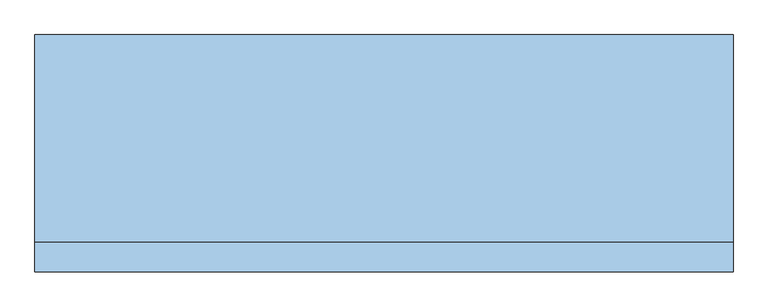
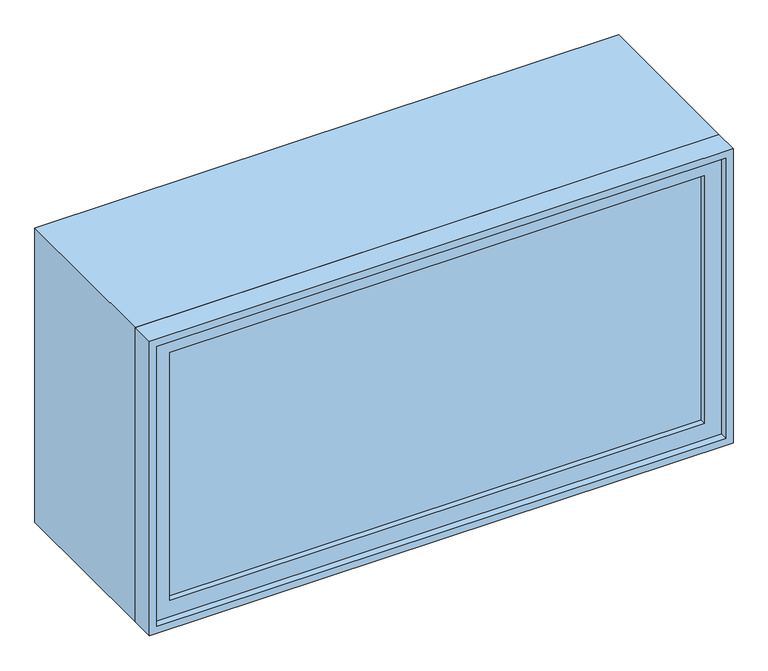
"""IFC4 building model written with IfcOpenShell, lengths in millimetres: window geometry."""

from ifc_helpers import new_model, si_unit, frame, origin, place, context, project, spatial, polyline, outline, extrude, source, transform, mapped, element, save


def window_d250fec6(model_context):
    return source(origin(), model_context, "Body", "SweptSolid", [
        extrude(outline(polyline([(-687.0, -233.0), (-687.0, -221.0), (687.0, -221.0), (687.0, -233.0), (-687.0, -233.0)])), frame((0.0, 0.0, 368.0), z_axis=(0.0, 0.0, 1.0), x_axis=(1.0, 0.0, 0.0)), (0.0, 0.0, 1.0), 674.0),
        extrude(outline(polyline([(1086.0, -731.0), (324.0, -731.0), (324.0, 731.0), (1086.0, 731.0), (1086.0, -731.0)]), holes=[polyline([(1042.0, -687.0), (1042.0, 687.0), (368.0, 687.0), (368.0, -687.0), (1042.0, -687.0)])]), frame((0.0, -249.0, 0.0), z_axis=(0.0, 1.0, 0.0), x_axis=(0.0, 0.0, 1.0)), (0.0, 0.0, 1.0), 44.0),
        extrude(outline(polyline([(1105.0, -750.0), (305.0, -750.0), (305.0, 750.0), (1105.0, 750.0), (1105.0, -750.0)]), holes=[polyline([(1086.0, -731.0), (1086.0, 731.0), (324.0, 731.0), (324.0, -731.0), (1086.0, -731.0)])]), frame((0.0, -268.0, 0.0), z_axis=(0.0, 1.0, 0.0), x_axis=(0.0, 0.0, 1.0)), (0.0, 0.0, 1.0), 63.0),
        extrude(outline(polyline([(1105.0, -750.0), (305.0, -750.0), (305.0, 750.0), (1105.0, 750.0), (1105.0, -750.0)]), holes=[polyline([(1073.0, -718.0), (1073.0, 718.0), (337.0, 718.0), (337.0, -718.0), (1073.0, -718.0)])]), frame((0.0, -205.0, 0.0), z_axis=(0.0, 1.0, 0.0), x_axis=(0.0, 0.0, 1.0)), (0.0, 0.0, 1.0), 447.0),
    ])


if __name__ == "__main__":
    model = new_model("IFC4")
    model_context = context("Model", 3, world=origin())
    ifc_project = project(units=[si_unit("LENGTHUNIT", "METRE", prefix="MILLI")], contexts=[model_context])
    site = spatial("IfcSite", under=ifc_project)
    building = spatial("IfcBuilding", under=site)
    placement = place(None, origin())
    window_shape = window_d250fec6(model_context)
    element("IfcWindow", 1, at=placement, inside=building, context=model_context, shape_type="MappedRepresentation", body=[
        mapped(window_shape, transform((0.0, 0.0, 0.0), x_axis=(1.0, 0.0, 0.0), y_axis=(0.0, 1.0, 0.0), z_axis=(0.0, 0.0, 1.0))),
    ])
    save(model, "model.ifc")
